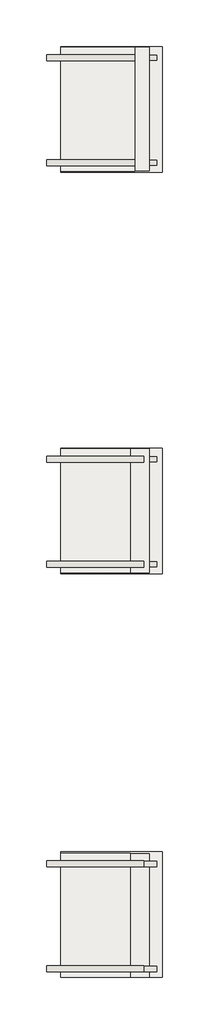
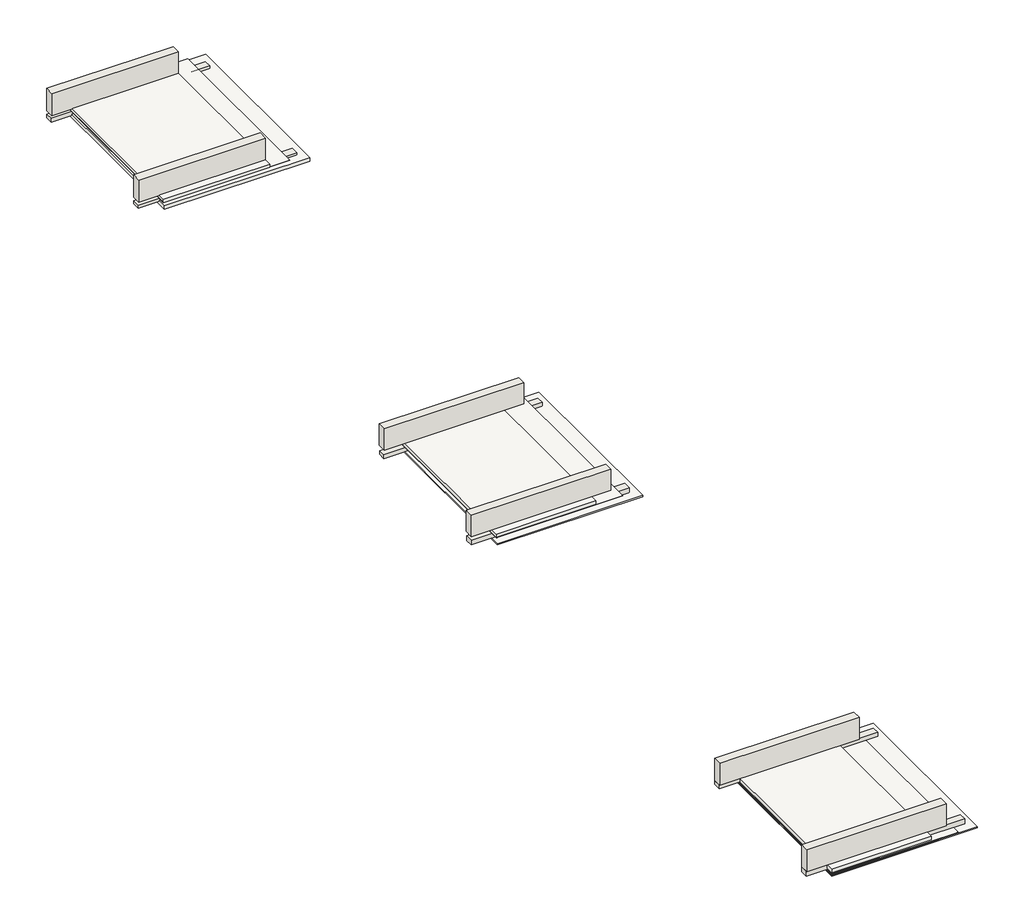
# One storey: 12 walls, 9 coverings.
"""IFC4 building model written with IfcOpenShell, lengths in millimetres."""

from ifc_helpers import new_model, si_unit, frame, origin, place, context, project, spatial, polyline, outline, extrude, element, save

model = new_model("IFC4")

# Units and contexts
model_context = context("Model", 3, world=origin())
ifc_project = project(units=[si_unit("LENGTHUNIT", "METRE", prefix="MILLI")], contexts=[model_context])

# Site, building, storey
site = spatial("IfcSite", under=ifc_project)
building = spatial("IfcBuilding", under=site)
storey = spatial("IfcBuildingStorey", under=building, Elevation=-300.0)

# Coverings
placement = place(None, origin())
element("IfcCovering", 1, at=placement, inside=storey, context=model_context, shape_type="SweptSolid", body=[
    extrude(outline(polyline([(-22406.7749546, -1143.9869271), (-22406.7749546, 1656.0130729), (-20406.7749546, 1656.0130729), (-20406.7749546, -1143.9869271), (-22406.7749546, -1143.9869271)])), frame((0.0, 0.0, 400.0), z_axis=(0.0, 0.0, 1.0), x_axis=(1.0, 0.0, 0.0)), (0.0, 0.0, 1.0), 2.0),
])
element("IfcCovering", 2, at=placement, inside=storey, context=model_context, shape_type="SweptSolid", body=[
    extrude(outline(polyline([(-20731.6219224, -1149.3507364), (-22406.7749546, -1149.3507364), (-22406.7749546, 1655.3777666), (-20731.6219224, 1655.3777666), (-20731.6219224, -1149.3507364)])), frame((0.0, 0.0, 400.0), z_axis=(0.0, 0.0, 1.0), x_axis=(1.0, 0.0, 0.0)), (0.0, 0.0, 1.0), 57.0),
])
element("IfcCovering", 3, at=placement, inside=storey, context=model_context, shape_type="SweptSolid", body=[
    extrude(outline(polyline([(-20106.7749546, -1172.2880788), (-22406.7749546, -1172.2880788), (-22406.7749546, 1671.8234119), (-20106.7749546, 1671.8234119), (-20106.7749546, -1172.2880788)])), frame((0.0, 0.0, 300.0), z_axis=(0.0, 0.0, 1.0), x_axis=(1.0, 0.0, 0.0)), (0.0, 0.0, 1.0), 57.0),
])
element("IfcCovering", 4, at=placement, inside=storey, context=model_context, shape_type="SweptSolid", body=[
    extrude(outline(polyline([(-22406.7749546, -10250.2849814), (-22406.7749546, -7450.2849814), (-20406.7749546, -7450.2849814), (-20406.7749546, -10250.2849814), (-22406.7749546, -10250.2849814)])), frame((0.0, 0.0, 320.0), z_axis=(0.0, 0.0, 1.0), x_axis=(1.0, 0.0, 0.0)), (0.0, 0.0, 1.0), 2.0),
])
element("IfcCovering", 5, at=placement, inside=storey, context=model_context, shape_type="SweptSolid", body=[
    extrude(outline(polyline([(-20831.6219224, -10251.1862015), (-22406.7749546, -10251.1862015), (-22406.7749546, -7446.4576985), (-20831.6219224, -7446.4576985), (-20831.6219224, -10251.1862015)])), frame((0.0, 0.0, 328.4168615), z_axis=(0.0, 0.0, 1.0), x_axis=(1.0, 0.0, 0.0)), (0.0, 0.0, 1.0), 57.0),
])
element("IfcCovering", 6, at=placement, inside=storey, context=model_context, shape_type="SweptSolid", body=[
    extrude(outline(polyline([(-20106.7749546, -10274.41085), (-22406.7749546, -10274.41085), (-22406.7749546, -7430.2993592), (-20106.7749546, -7430.2993592), (-20106.7749546, -10274.41085)])), frame((0.0, 0.0, 220.0), z_axis=(0.0, 0.0, 1.0), x_axis=(1.0, 0.0, 0.0)), (0.0, 0.0, 1.0), 19.0),
])
element("IfcCovering", 7, at=placement, inside=storey, context=model_context, shape_type="SweptSolid", body=[
    extrude(outline(polyline([(-22406.7749546, -19425.1099998), (-22406.7749546, -16625.1099998), (-20406.7749546, -16625.1099998), (-20406.7749546, -19425.1099998), (-22406.7749546, -19425.1099998)])), frame((0.0, 0.0, 271.2520873), z_axis=(0.0, 0.0, 1.0), x_axis=(1.0, 0.0, 0.0)), (0.0, 0.0, 1.0), 2.0),
])
element("IfcCovering", 8, at=placement, inside=storey, context=model_context, shape_type="SweptSolid", body=[
    extrude(outline(polyline([(-20831.6219224, -19421.4317345), (-22406.7749546, -19421.4317345), (-22406.7749546, -16616.7032315), (-20831.6219224, -16616.7032315), (-20831.6219224, -19421.4317345)])), frame((0.0, 0.0, 290.7234945), z_axis=(0.0, 0.0, 1.0), x_axis=(1.0, 0.0, 0.0)), (0.0, 0.0, 1.0), 57.0),
])
element("IfcCovering", 9, at=placement, inside=storey, context=model_context, shape_type="SweptSolid", body=[
    extrude(outline(polyline([(-20106.7749546, -19429.50003), (-22406.7749546, -19429.50003), (-22406.7749546, -16585.3885393), (-20106.7749546, -16585.3885393), (-20106.7749546, -19429.50003)])), frame((0.0, 0.0, 239.2600295), z_axis=(0.0, 0.0, 1.0), x_axis=(1.0, 0.0, 0.0)), (0.0, 0.0, 1.0), 19.0),
])

# Walls
element("IfcWall", 10, at=placement, inside=storey, context=model_context, shape_type="SweptSolid", body=[
    extrude(outline(polyline([(-22731.6219224, -893.6952785), (-20731.6219224, -893.6952785), (-20731.6219224, -1033.6952785), (-22731.6219224, -1033.6952785), (-22731.6219224, -893.6952785)])), frame((0.0, 0.0, 450.0), z_axis=(0.0, 0.0, 1.0), x_axis=(1.0, 0.0, 0.0)), (0.0, 0.0, 1.0), 370.0),
])
element("IfcWall", 11, at=placement, inside=storey, context=model_context, shape_type="SweptSolid", body=[
    extrude(outline(polyline([(-22731.6219224, 1486.3047215), (-20731.6219224, 1486.3047215), (-20731.6219224, 1346.3047215), (-22731.6219224, 1346.3047215), (-22731.6219224, 1486.3047215)])), frame((0.0, 0.0, 450.0), z_axis=(0.0, 0.0, 1.0), x_axis=(1.0, 0.0, 0.0)), (0.0, 0.0, 1.0), 370.0),
])
element("IfcWall", 12, at=placement, inside=storey, context=model_context, shape_type="SweptSolid", body=[
    extrude(outline(polyline([(-22731.6219224, -903.6952785), (-20231.6219224, -903.6952785), (-20231.6219224, -1023.6952785), (-22731.6219224, -1023.6952785), (-22731.6219224, -903.6952785)])), frame((0.0, 0.0, 342.8835585), z_axis=(0.0, 0.0, 1.0), x_axis=(1.0, 0.0, 0.0)), (0.0, 0.0, 1.0), 52.1164415),
])
element("IfcWall", 13, at=placement, inside=storey, context=model_context, shape_type="SweptSolid", body=[
    extrude(outline(polyline([(-22731.6219224, 1476.3047215), (-20231.6219224, 1476.3047215), (-20231.6219224, 1356.3047215), (-22731.6219224, 1356.3047215), (-22731.6219224, 1476.3047215)])), frame((0.0, 0.0, 335.4288231), z_axis=(0.0, 0.0, 1.0), x_axis=(1.0, 0.0, 0.0)), (0.0, 0.0, 1.0), 64.5711769),
])
element("IfcWall", 14, at=placement, inside=storey, context=model_context, shape_type="SweptSolid", body=[
    extrude(outline(polyline([(-22731.6219224, -9995.5307436), (-20531.6219224, -9995.5307436), (-20531.6219224, -10135.5307436), (-22731.6219224, -10135.5307436), (-22731.6219224, -9995.5307436)])), frame((0.0, 0.0, 386.4168615), z_axis=(0.0, 0.0, 1.0), x_axis=(1.0, 0.0, 0.0)), (0.0, 0.0, 1.0), 353.5831385),
])
element("IfcWall", 15, at=placement, inside=storey, context=model_context, shape_type="SweptSolid", body=[
    extrude(outline(polyline([(-22731.6219224, -7615.5307436), (-20531.6219224, -7615.5307436), (-20531.6219224, -7755.5307436), (-22731.6219224, -7755.5307436), (-22731.6219224, -7615.5307436)])), frame((0.0, 0.0, 386.4168615), z_axis=(0.0, 0.0, 1.0), x_axis=(1.0, 0.0, 0.0)), (0.0, 0.0, 1.0), 353.5831385),
])
element("IfcWall", 16, at=placement, inside=storey, context=model_context, shape_type="SweptSolid", body=[
    extrude(outline(polyline([(-22731.6219224, -10003.6952785), (-20231.6219224, -10003.6952785), (-20231.6219224, -10123.6952785), (-22731.6219224, -10123.6952785), (-22731.6219224, -10003.6952785)])), frame((0.0, 0.0, 239.0), z_axis=(0.0, 0.0, 1.0), x_axis=(1.0, 0.0, 0.0)), (0.0, 0.0, 1.0), 81.0),
])
element("IfcWall", 17, at=placement, inside=storey, context=model_context, shape_type="SweptSolid", body=[
    extrude(outline(polyline([(-22731.6219224, -7623.6952785), (-20231.6219224, -7623.6952785), (-20231.6219224, -7743.6952785), (-22731.6219224, -7743.6952785), (-22731.6219224, -7623.6952785)])), frame((0.0, 0.0, 239.0), z_axis=(0.0, 0.0, 1.0), x_axis=(1.0, 0.0, 0.0)), (0.0, 0.0, 1.0), 61.0),
])
element("IfcWall", 18, at=placement, inside=storey, context=model_context, shape_type="SweptSolid", body=[
    extrude(outline(polyline([(-22731.6219224, -19165.7762766), (-20531.6219224, -19165.7762766), (-20531.6219224, -19305.7762766), (-22731.6219224, -19305.7762766), (-22731.6219224, -19165.7762766)])), frame((0.0, 0.0, 352.6134631), z_axis=(0.0, 0.0, 1.0), x_axis=(1.0, 0.0, 0.0)), (0.0, 0.0, 1.0), 367.3865369),
])
element("IfcWall", 19, at=placement, inside=storey, context=model_context, shape_type="SweptSolid", body=[
    extrude(outline(polyline([(-22731.6219224, -16785.7762766), (-20531.6219224, -16785.7762766), (-20531.6219224, -16925.7762766), (-22731.6219224, -16925.7762766), (-22731.6219224, -16785.7762766)])), frame((0.0, 0.0, 352.6134631), z_axis=(0.0, 0.0, 1.0), x_axis=(1.0, 0.0, 0.0)), (0.0, 0.0, 1.0), 367.3865369),
])
element("IfcWall", 20, at=placement, inside=storey, context=model_context, shape_type="SweptSolid", body=[
    extrude(outline(polyline([(-22731.6219224, -19175.7762766), (-20231.6219224, -19175.7762766), (-20231.6219224, -19295.7762766), (-22731.6219224, -19295.7762766), (-22731.6219224, -19175.7762766)])), frame((0.0, 0.0, 270.3448999), z_axis=(0.0, 0.0, 1.0), x_axis=(1.0, 0.0, 0.0)), (0.0, 0.0, 1.0), 82.2685632),
])
element("IfcWall", 21, at=placement, inside=storey, context=model_context, shape_type="SweptSolid", body=[
    extrude(outline(polyline([(-22731.6219224, -16795.7762766), (-20231.6219224, -16795.7762766), (-20231.6219224, -16915.7762766), (-22731.6219224, -16915.7762766), (-22731.6219224, -16795.7762766)])), frame((0.0, 0.0, 288.1114563), z_axis=(0.0, 0.0, 1.0), x_axis=(1.0, 0.0, 0.0)), (0.0, 0.0, 1.0), 64.5020068),
])

save(model, "model.ifc")
